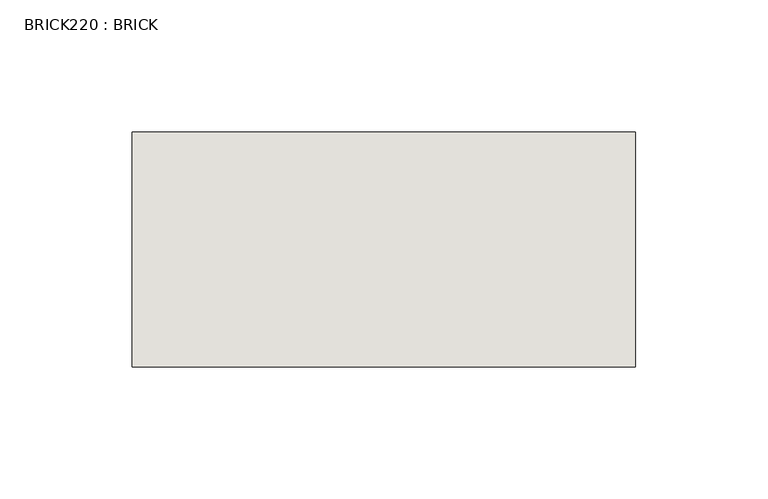
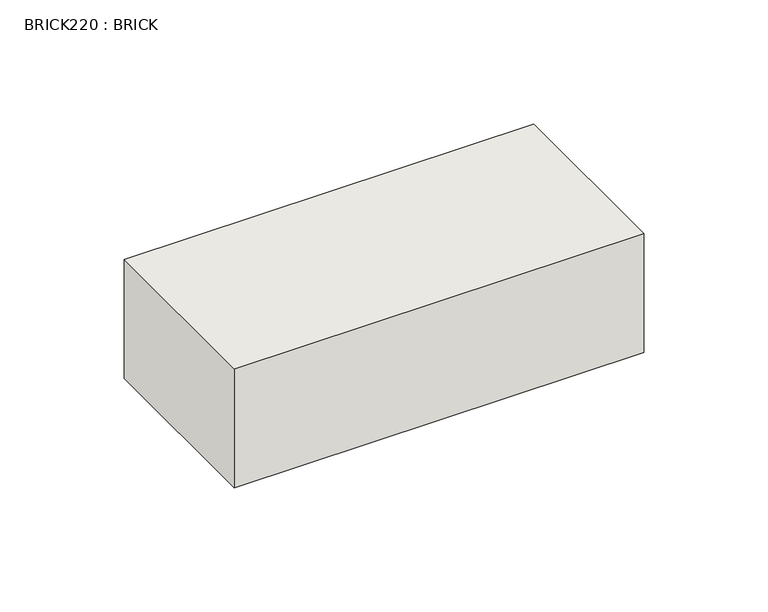
"""IFC4 building model written with IfcOpenShell, lengths in millimetres: wall geometry, BRICK220 : BRICK."""

import ifcopenshell
import ifcopenshell.guid

model = None  # the IFC model being written
_history = None  # IfcOwnerHistory: only IFC2X3 demands one
_inside = {}  # id of a spatial element -> (the spatial element, [elements in it])
_under = {}  # id of a project, library or spatial element -> (it, [spatial elements below it])
_declared = {}  # id of a project -> (the project, [libraries it declares])
_typed = {}  # id of a type object -> (the type object, [elements of that type])
_made_of = {}  # id of a material, layer set ... -> (it, [elements and type objects made of it])


def new_model(schema):
    """Start an empty IFC model of exactly this schema.

    Asked for "IFC4X3", IfcOpenShell would pick the latest addendum, in which some entities
    have other attributes; the version numbers below select the first issue.
    IFC2X3 requires an IfcOwnerHistory on every rooted entity: one is made here for all.
    """
    global model, _history
    if schema == "IFC4X3":
        model = ifcopenshell.file(schema_version=(4, 3, 0, 0))
    else:
        model = ifcopenshell.file(schema=schema)
    _inside.clear()
    _under.clear()
    _declared.clear()
    _typed.clear()
    _made_of.clear()
    _history = None
    if model.schema == "IFC2X3":
        org = make("IfcOrganization", Name="unknown")
        user = make(
            "IfcPersonAndOrganization",
            ThePerson=make("IfcPerson", FamilyName="unknown"),
            TheOrganization=org,
        )
        app = make(
            "IfcApplication",
            ApplicationDeveloper=org,
            Version="unknown",
            ApplicationFullName="unknown",
            ApplicationIdentifier="unknown",
        )
        _history = make(
            "IfcOwnerHistory",
            OwningUser=user,
            OwningApplication=app,
            ChangeAction="ADDED",
            CreationDate=0,
        )
    return model


def make(cls, **values):
    """One entity of the class cls with the attributes given. An attribute that is None is left unset."""
    return model.create_entity(
        cls, **{name: value for name, value in values.items() if value is not None}
    )


def rooted(cls, **values):
    """An entity with a GlobalId (a new one), such as an element, a storey or a relation."""
    return make(cls, GlobalId=ifcopenshell.guid.new(), OwnerHistory=_history, **values)


def si_unit(unit_type, name, prefix=None):
    """IfcSIUnit, for example si_unit("LENGTHUNIT", "METRE", prefix="MILLI")."""
    return make("IfcSIUnit", UnitType=unit_type, Prefix=prefix, Name=name)


def assignment(units):
    """IfcUnitAssignment: the units of a project."""
    return None if units is None else make("IfcUnitAssignment", Units=units)


def point(xyz):
    """IfcCartesianPoint."""
    return None if xyz is None else make("IfcCartesianPoint", Coordinates=xyz)


def direction(xyz):
    """IfcDirection."""
    return None if xyz is None else make("IfcDirection", DirectionRatios=xyz)


def frame(location, z_axis=None, x_axis=None):
    """IfcAxis2Placement3D, a coordinate frame: its origin and axes. An axis left out is left unset."""
    return make(
        "IfcAxis2Placement3D",
        Location=point(location),
        Axis=direction(z_axis),
        RefDirection=direction(x_axis),
    )


def origin():
    """The frame at (0, 0, 0) with its axes left unset."""
    return frame((0.0, 0.0, 0.0))


def place(relative_to, where):
    """IfcLocalPlacement: puts the frame where relative to a parent placement (None: the world)."""
    return make(
        "IfcLocalPlacement", PlacementRelTo=relative_to, RelativePlacement=where
    )


def context(
    kind, dimensions, precision=None, world=None, true_north=None, identifier=None
):
    """IfcGeometricRepresentationContext, for example the 3D "Model" context."""
    return make(
        "IfcGeometricRepresentationContext",
        ContextIdentifier=identifier,
        ContextType=kind,
        CoordinateSpaceDimension=dimensions,
        Precision=precision,
        WorldCoordinateSystem=world,
        TrueNorth=true_north,
    )


def project(units=None, contexts=None):
    """IfcProject with its units and contexts."""
    return rooted(
        "IfcProject",
        Name="project",
        RepresentationContexts=contexts,
        UnitsInContext=assignment(units),
    )


def spatial(cls, under=None, at=None, **own):
    """A site, building, storey or space (cls), placed at a placement, below another one or the project."""
    s = rooted(cls, ObjectPlacement=at, **own)
    if under is not None:
        _under.setdefault(under.id(), (under, []))[1].append(s)
    return s


def polyline(points):
    """IfcPolyline through the points."""
    return make("IfcPolyline", Points=[point(p) for p in points])


def outline(outer, holes=None, kind="AREA"):
    """IfcArbitraryClosedProfileDef: a profile drawn as a closed curve; with holes, ...WithVoids."""
    if holes is None:
        return make("IfcArbitraryClosedProfileDef", ProfileType=kind, OuterCurve=outer)
    return make(
        "IfcArbitraryProfileDefWithVoids",
        ProfileType=kind,
        OuterCurve=outer,
        InnerCurves=holes,
    )


def extrude(swept, where, along, depth):
    """IfcExtrudedAreaSolid: the profile swept, set in the frame where, extruded along a direction by depth."""
    return make(
        "IfcExtrudedAreaSolid",
        SweptArea=swept,
        Position=where,
        ExtrudedDirection=direction(along),
        Depth=depth,
    )


def shape(context_of_items, identifier, shape_type, items):
    """IfcShapeRepresentation: the items that make up one representation, for example the "Body"."""
    return make(
        "IfcShapeRepresentation",
        ContextOfItems=context_of_items,
        RepresentationIdentifier=identifier,
        RepresentationType=shape_type,
        Items=items,
    )


def source(mapping_origin, context_of_items, identifier, shape_type, items):
    """IfcRepresentationMap: a shape defined once, which mapped items show again and again."""
    return make(
        "IfcRepresentationMap",
        MappingOrigin=mapping_origin,
        MappedRepresentation=shape(context_of_items, identifier, shape_type, items),
    )


def transform(
    local_origin,
    x_axis=None,
    y_axis=None,
    z_axis=None,
    scale=None,
    scale2=None,
    scale3=None,
    uniform=True,
):
    """IfcCartesianTransformationOperator3D, or its non-uniform kind. x_axis, y_axis, z_axis: its Axis1, 2, 3."""
    if uniform:
        return make(
            "IfcCartesianTransformationOperator3D",
            Axis1=direction(x_axis),
            Axis2=direction(y_axis),
            LocalOrigin=point(local_origin),
            Scale=scale,
            Axis3=direction(z_axis),
        )
    return make(
        "IfcCartesianTransformationOperator3DnonUniform",
        Axis1=direction(x_axis),
        Axis2=direction(y_axis),
        LocalOrigin=point(local_origin),
        Scale=scale,
        Axis3=direction(z_axis),
        Scale2=scale2,
        Scale3=scale3,
    )


def mapped(mapping_source, mapping_target):
    """IfcMappedItem: shows the shape of a source again, moved by a transform."""
    return make(
        "IfcMappedItem", MappingSource=mapping_source, MappingTarget=mapping_target
    )


def made_of(thing, what):
    """Note that an element or type object is made of a material, layer set ...; save() writes the relation."""
    if what is not None:
        _made_of.setdefault(what.id(), (what, []))[1].append(thing)
    return thing


def element(
    cls,
    number,
    at=None,
    inside=None,
    cuts=None,
    type_object=None,
    material=None,
    context=None,
    identifier="Body",
    shape_type=None,
    held_by="IfcProductDefinitionShape",
    body=None,
    shapes=None,
    **own,
):
    """One element of the class cls, such as IfcWall. Its Tag is "e" and its number.

    at: its placement. inside: the storey or other place that contains it. cuts: it is an
    opening in that element (IfcRelVoidsElement). A single representation is given by context,
    identifier, shape_type and body (its items); several are given by shapes. held_by: the class
    of the entity that holds the representations. save() writes the other relations.
    """
    e = rooted(cls, Tag="e%d" % number, ObjectPlacement=at, **own)
    if body is not None:
        shapes = [shape(context, identifier, shape_type, body)]
    if shapes is not None:
        e.Representation = make(held_by, Representations=shapes)
    if inside is not None:
        _inside.setdefault(inside.id(), (inside, []))[1].append(e)
    if cuts is not None:
        rooted(
            "IfcRelVoidsElement", RelatingBuildingElement=cuts, RelatedOpeningElement=e
        )
    if type_object is not None:
        _typed.setdefault(type_object.id(), (type_object, []))[1].append(e)
    return made_of(e, material)


def aggregate(whole, parts):
    """IfcRelAggregates: a whole, such as a stair, and the parts it consists of."""
    return rooted("IfcRelAggregates", RelatingObject=whole, RelatedObjects=parts)


def save(model, path):
    """Write the relations noted so far, then the file.

    IfcRelAggregates (storeys below a building ...), IfcRelContainedInSpatialStructure (elements
    in a storey), IfcRelDefinesByType, IfcRelAssociatesMaterial and IfcRelDeclares: one each for
    every whole, place, type object, material and project.
    """
    for whole, parts in _under.values():
        aggregate(whole, parts)
    for where, things in _inside.values():
        rooted(
            "IfcRelContainedInSpatialStructure",
            RelatedElements=things,
            RelatingStructure=where,
        )
    for kind, things in _typed.values():
        rooted("IfcRelDefinesByType", RelatedObjects=things, RelatingType=kind)
    for what, things in _made_of.values():
        rooted("IfcRelAssociatesMaterial", RelatedObjects=things, RelatingMaterial=what)
    for by, libraries in _declared.values():
        rooted("IfcRelDeclares", RelatingContext=by, RelatedDefinitions=libraries)
    model.write(path)


def brick220_brick_6211bca5(model_context):
    return source(origin(), model_context, "Body", "SweptSolid", [
        extrude(outline(polyline([(-1277.8574357, 3062.3923312), (-1087.3574357, 3062.3923312), (-1087.3574357, 2973.4923312), (-1277.8574357, 2973.4923312), (-1277.8574357, 3062.3923312)])), frame((0.0, 0.0, 4.1671875), z_axis=(0.0, 0.0, 1.0), x_axis=(1.0, 0.0, 0.0)), (0.0, 0.0, 1.0), 58.4398437),
    ])


if __name__ == "__main__":
    model = new_model("IFC4")
    model_context = context("Model", 3, world=origin())
    ifc_project = project(units=[si_unit("LENGTHUNIT", "METRE", prefix="MILLI")], contexts=[model_context])
    site = spatial("IfcSite", under=ifc_project)
    building = spatial("IfcBuilding", under=site)
    placement = place(None, origin())
    brick220_brick_shape = brick220_brick_6211bca5(model_context)
    element("IfcWall", 1, ObjectType="BRICK220 : BRICK", at=placement, inside=building, context=model_context, shape_type="MappedRepresentation", body=[
        mapped(brick220_brick_shape, transform((0.0, 0.0, 0.0), x_axis=(1.0, 0.0, 0.0), y_axis=(0.0, 1.0, 0.0), z_axis=(0.0, 0.0, 1.0))),
    ])
    save(model, "model.ifc")
